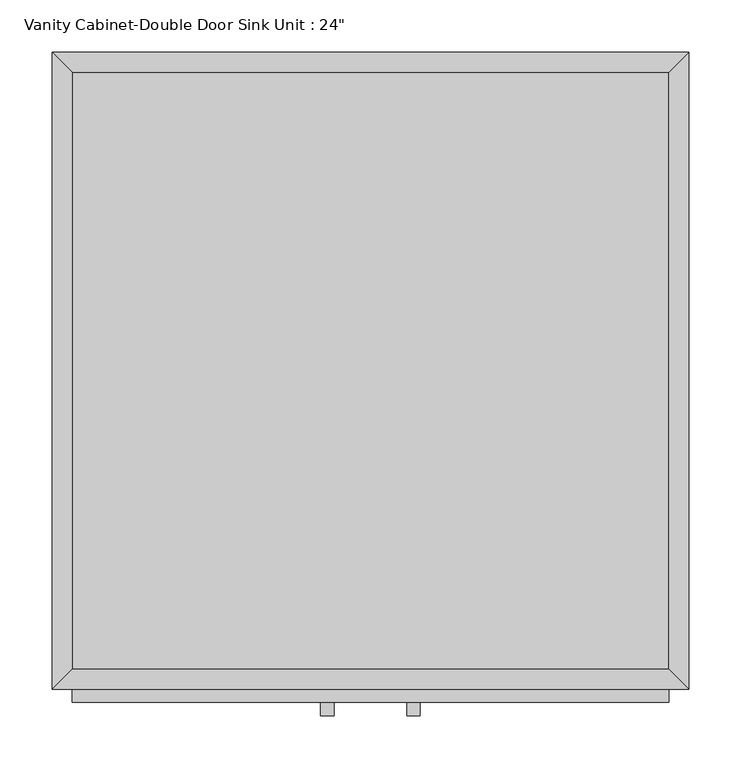
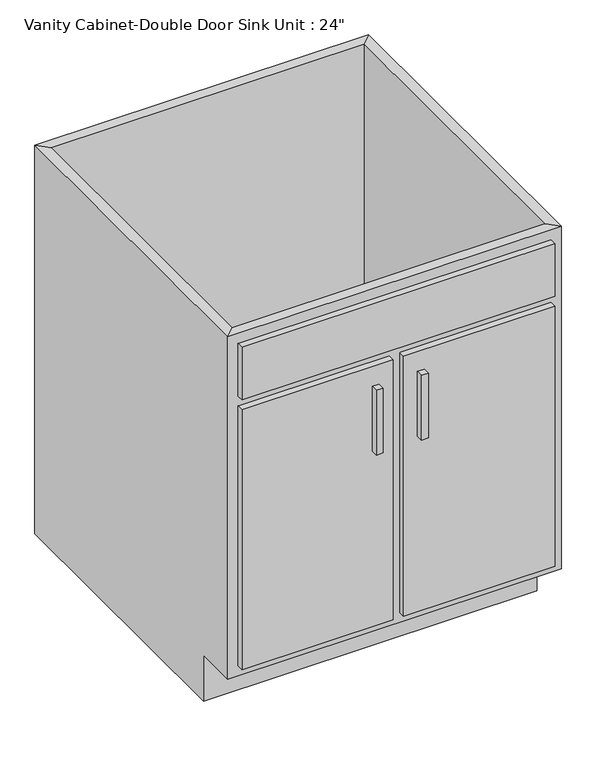
"""IFC4 building model written with IfcOpenShell, lengths in millimetres: furniture geometry."""

from ifc_helpers import new_model, si_unit, frame, origin, place, context, project, spatial, polyline, outline, extrude, faceted_brep, source, transform, mapped, element, save


def furniture_d5b770a0(model_context):
    return source(origin(), model_context, "Body", "SolidModel", [
        faceted_brep([(304.4877049, -590.55, 749.3), (304.4877049, -590.55, 88.9), (-267.0122951, -590.55, 88.9), (-267.0122951, -590.55, 749.3), (-286.0622951, -609.6, 749.3), (323.5377049, -609.6, 749.3), (-286.0622951, -609.6, 88.9), (323.5377049, -609.6, 88.9), (-267.0122951, -533.4, 88.9), (-267.0122951, -19.05, 88.9), (-267.0122951, -19.05, 749.3), (-286.0622951, 0.0, 749.3), (-286.0622951, 0.0, 0.0), (-286.0622951, -533.4, 0.0), (-286.0622951, -533.4, 88.9), (304.4877049, -19.05, 88.9), (304.4877049, -19.05, 749.3), (323.5377049, 0.0, 749.3), (323.5377049, 0.0, 0.0), (304.4877049, -533.4, 88.9), (323.5377049, -533.4, 88.9), (323.5377049, -533.4, 0.0)], [[[0, 1, 2, 3]], [[0, 3, 4, 5]], [[5, 4, 6, 7]], [[2, 1, 7, 6]], [[3, 2, 8, 9, 10]], [[4, 3, 10, 11]], [[6, 4, 11, 12, 13, 14]], [[2, 6, 14, 8]], [[10, 9, 15, 16]], [[11, 10, 16, 17]], [[12, 11, 17, 18]], [[1, 0, 16, 15, 19]], [[0, 5, 17, 16]], [[5, 7, 20, 21, 18, 17]], [[7, 1, 19, 20]], [[8, 19, 15, 9]], [[18, 21, 13, 12]], [[13, 21, 20, 19, 8, 14]]]),
        extrude(outline(polyline([(-16.1872951, -635.0), (-28.8872951, -635.0), (-28.8872951, -622.3), (-16.1872951, -622.3), (-16.1872951, -635.0)])), frame((0.0, 0.0, 446.769895), z_axis=(0.0, 0.0, 1.0), x_axis=(1.0, 0.0, 0.0)), (0.0, 0.0, 1.0), 124.730105),
        extrude(outline(polyline([(66.3627049, -635.0), (53.6627049, -635.0), (53.6627049, -622.3), (66.3627049, -622.3), (66.3627049, -635.0)])), frame((0.0, 0.0, 446.769895), z_axis=(0.0, 0.0, 1.0), x_axis=(1.0, 0.0, 0.0)), (0.0, 0.0, 1.0), 124.730105),
        extrude(outline(polyline([(304.4877049, -19.05), (304.4877049, -590.55), (-267.0122951, -590.55), (-267.0122951, -19.05), (304.4877049, -19.05)])), frame((0.0, 0.0, 88.9), z_axis=(0.0, 0.0, 1.0), x_axis=(1.0, 0.0, 0.0)), (0.0, 0.0, 1.0), 19.05),
        extrude(outline(polyline([(9.2127049, -622.3), (-267.0122951, -622.3), (-267.0122951, -609.6), (9.2127049, -609.6), (9.2127049, -622.3)])), frame((0.0, 0.0, 107.95), z_axis=(0.0, 0.0, 1.0), x_axis=(1.0, 0.0, 0.0)), (0.0, 0.0, 1.0), 501.65),
        extrude(outline(polyline([(304.4877049, -622.3), (28.2627049, -622.3), (28.2627049, -609.6), (304.4877049, -609.6), (304.4877049, -622.3)])), frame((0.0, 0.0, 107.95), z_axis=(0.0, 0.0, 1.0), x_axis=(1.0, 0.0, 0.0)), (0.0, 0.0, 1.0), 501.65),
        extrude(outline(polyline([(304.4877049, -622.3), (-267.0122951, -622.3), (-267.0122951, -609.6), (304.4877049, -609.6), (304.4877049, -622.3)])), frame((0.0, 0.0, 628.65), z_axis=(0.0, 0.0, 1.0), x_axis=(1.0, 0.0, 0.0)), (0.0, 0.0, 1.0), 101.6),
    ])


if __name__ == "__main__":
    model = new_model("IFC4")
    model_context = context("Model", 3, world=origin())
    ifc_project = project(units=[si_unit("LENGTHUNIT", "METRE", prefix="MILLI")], contexts=[model_context])
    site = spatial("IfcSite", under=ifc_project)
    building = spatial("IfcBuilding", under=site)
    placement = place(None, origin())
    furniture_shape = furniture_d5b770a0(model_context)
    element("IfcFurniture", 1, ObjectType="Vanity Cabinet-Double Door Sink Unit : 24\"", at=placement, inside=building, context=model_context, shape_type="MappedRepresentation", body=[
        mapped(furniture_shape, transform((0.0, 0.0, 0.0), x_axis=(1.0, 0.0, 0.0), y_axis=(0.0, 1.0, 0.0), z_axis=(0.0, 0.0, 1.0))),
    ])
    save(model, "model.ifc")
